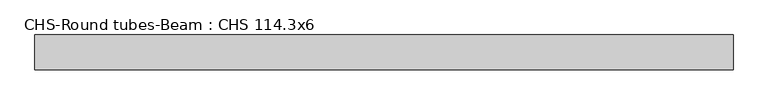
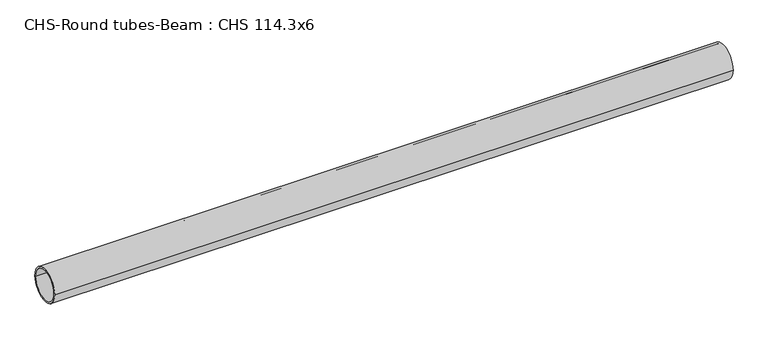
"""IFC4 building model written with IfcOpenShell, lengths in millimetres: beam geometry, CHS-Round tubes-Beam : CHS 114.3x6."""

from ifc_helpers import new_model, si_unit, point, frame, origin, origin_2d, place, context, project, spatial, circle_curve, trimmed, segment, composite_curve, outline, extrude, source, transform, mapped, element, save


def chs_round_tubes_beam_chs_114_3x6_43e5ce5f(model_context):
    return source(origin(), model_context, "Body", "SweptSolid", [
        extrude(outline(composite_curve([segment(trimmed(circle_curve(origin_2d(), 57.15), [point((57.15, 0.0))], [point((-57.15, 0.0))], False, "CARTESIAN"), True, "CONTINUOUS"), segment(trimmed(circle_curve(origin_2d(), 57.15), [point((-57.15, 0.0))], [point((57.15, 0.0))], False, "CARTESIAN"), True, "CONTINUOUS")], self_intersect=False), holes=[composite_curve([segment(trimmed(circle_curve(origin_2d(), 51.15), [point((51.15, 0.0))], [point((-51.15, 0.0))], True, "CARTESIAN"), True, "CONTINUOUS"), segment(trimmed(circle_curve(origin_2d(), 51.15), [point((-51.15, 0.0))], [point((51.15, 0.0))], True, "CARTESIAN"), True, "CONTINUOUS")], self_intersect=False)]), frame((-1125.4657922, 0.0, 0.0), z_axis=(1.0, 0.0, 0.0), x_axis=(0.0, 1.0, 0.0)), (0.0, 0.0, 1.0), 2282.5224711),
    ])


if __name__ == "__main__":
    model = new_model("IFC4")
    model_context = context("Model", 3, world=origin())
    ifc_project = project(units=[si_unit("LENGTHUNIT", "METRE", prefix="MILLI")], contexts=[model_context])
    site = spatial("IfcSite", under=ifc_project)
    building = spatial("IfcBuilding", under=site)
    placement = place(None, origin())
    chs_round_tubes_beam_chs_114_3x6_shape = chs_round_tubes_beam_chs_114_3x6_43e5ce5f(model_context)
    element("IfcBeam", 1, ObjectType="CHS-Round tubes-Beam : CHS 114.3x6", at=placement, inside=building, context=model_context, shape_type="MappedRepresentation", body=[
        mapped(chs_round_tubes_beam_chs_114_3x6_shape, transform((0.0, 0.0, 0.0), x_axis=(1.0, 0.0, 0.0), y_axis=(0.0, 1.0, 0.0), z_axis=(0.0, 0.0, 1.0))),
    ])
    save(model, "model.ifc")
